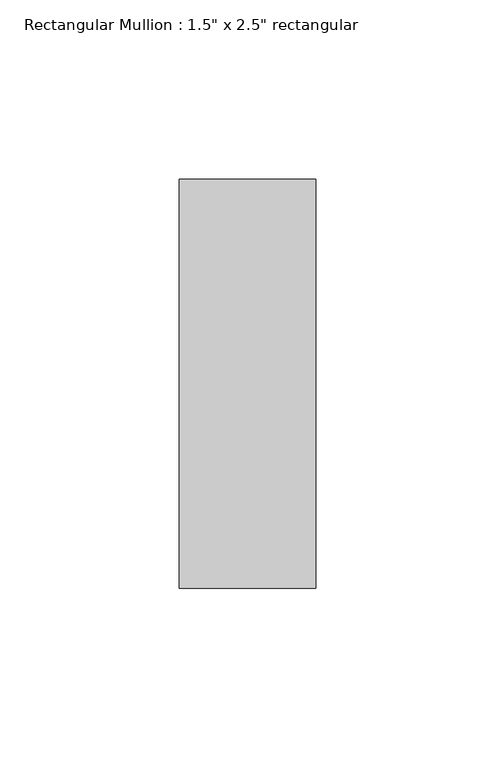
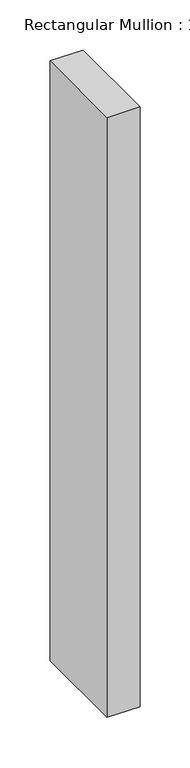
"""IFC4 building model written with IfcOpenShell, lengths in millimetres: member geometry."""

import ifcopenshell
import ifcopenshell.guid

model = None  # the IFC model being written
_history = None  # IfcOwnerHistory: only IFC2X3 demands one
_inside = {}  # id of a spatial element -> (the spatial element, [elements in it])
_under = {}  # id of a project, library or spatial element -> (it, [spatial elements below it])
_declared = {}  # id of a project -> (the project, [libraries it declares])
_typed = {}  # id of a type object -> (the type object, [elements of that type])
_made_of = {}  # id of a material, layer set ... -> (it, [elements and type objects made of it])


def new_model(schema):
    """Start an empty IFC model of exactly this schema.

    Asked for "IFC4X3", IfcOpenShell would pick the latest addendum, in which some entities
    have other attributes; the version numbers below select the first issue.
    IFC2X3 requires an IfcOwnerHistory on every rooted entity: one is made here for all.
    """
    global model, _history
    if schema == "IFC4X3":
        model = ifcopenshell.file(schema_version=(4, 3, 0, 0))
    else:
        model = ifcopenshell.file(schema=schema)
    _inside.clear()
    _under.clear()
    _declared.clear()
    _typed.clear()
    _made_of.clear()
    _history = None
    if model.schema == "IFC2X3":
        org = make("IfcOrganization", Name="unknown")
        user = make(
            "IfcPersonAndOrganization",
            ThePerson=make("IfcPerson", FamilyName="unknown"),
            TheOrganization=org,
        )
        app = make(
            "IfcApplication",
            ApplicationDeveloper=org,
            Version="unknown",
            ApplicationFullName="unknown",
            ApplicationIdentifier="unknown",
        )
        _history = make(
            "IfcOwnerHistory",
            OwningUser=user,
            OwningApplication=app,
            ChangeAction="ADDED",
            CreationDate=0,
        )
    return model


def make(cls, **values):
    """One entity of the class cls with the attributes given. An attribute that is None is left unset."""
    return model.create_entity(
        cls, **{name: value for name, value in values.items() if value is not None}
    )


def rooted(cls, **values):
    """An entity with a GlobalId (a new one), such as an element, a storey or a relation."""
    return make(cls, GlobalId=ifcopenshell.guid.new(), OwnerHistory=_history, **values)


def si_unit(unit_type, name, prefix=None):
    """IfcSIUnit, for example si_unit("LENGTHUNIT", "METRE", prefix="MILLI")."""
    return make("IfcSIUnit", UnitType=unit_type, Prefix=prefix, Name=name)


def assignment(units):
    """IfcUnitAssignment: the units of a project."""
    return None if units is None else make("IfcUnitAssignment", Units=units)


def point(xyz):
    """IfcCartesianPoint."""
    return None if xyz is None else make("IfcCartesianPoint", Coordinates=xyz)


def direction(xyz):
    """IfcDirection."""
    return None if xyz is None else make("IfcDirection", DirectionRatios=xyz)


def frame(location, z_axis=None, x_axis=None):
    """IfcAxis2Placement3D, a coordinate frame: its origin and axes. An axis left out is left unset."""
    return make(
        "IfcAxis2Placement3D",
        Location=point(location),
        Axis=direction(z_axis),
        RefDirection=direction(x_axis),
    )


def origin():
    """The frame at (0, 0, 0) with its axes left unset."""
    return frame((0.0, 0.0, 0.0))


def place(relative_to, where):
    """IfcLocalPlacement: puts the frame where relative to a parent placement (None: the world)."""
    return make(
        "IfcLocalPlacement", PlacementRelTo=relative_to, RelativePlacement=where
    )


def context(
    kind, dimensions, precision=None, world=None, true_north=None, identifier=None
):
    """IfcGeometricRepresentationContext, for example the 3D "Model" context."""
    return make(
        "IfcGeometricRepresentationContext",
        ContextIdentifier=identifier,
        ContextType=kind,
        CoordinateSpaceDimension=dimensions,
        Precision=precision,
        WorldCoordinateSystem=world,
        TrueNorth=true_north,
    )


def project(units=None, contexts=None):
    """IfcProject with its units and contexts."""
    return rooted(
        "IfcProject",
        Name="project",
        RepresentationContexts=contexts,
        UnitsInContext=assignment(units),
    )


def spatial(cls, under=None, at=None, **own):
    """A site, building, storey or space (cls), placed at a placement, below another one or the project."""
    s = rooted(cls, ObjectPlacement=at, **own)
    if under is not None:
        _under.setdefault(under.id(), (under, []))[1].append(s)
    return s


def polyline(points):
    """IfcPolyline through the points."""
    return make("IfcPolyline", Points=[point(p) for p in points])


def outline(outer, holes=None, kind="AREA"):
    """IfcArbitraryClosedProfileDef: a profile drawn as a closed curve; with holes, ...WithVoids."""
    if holes is None:
        return make("IfcArbitraryClosedProfileDef", ProfileType=kind, OuterCurve=outer)
    return make(
        "IfcArbitraryProfileDefWithVoids",
        ProfileType=kind,
        OuterCurve=outer,
        InnerCurves=holes,
    )


def extrude(swept, where, along, depth):
    """IfcExtrudedAreaSolid: the profile swept, set in the frame where, extruded along a direction by depth."""
    return make(
        "IfcExtrudedAreaSolid",
        SweptArea=swept,
        Position=where,
        ExtrudedDirection=direction(along),
        Depth=depth,
    )


def shape(context_of_items, identifier, shape_type, items):
    """IfcShapeRepresentation: the items that make up one representation, for example the "Body"."""
    return make(
        "IfcShapeRepresentation",
        ContextOfItems=context_of_items,
        RepresentationIdentifier=identifier,
        RepresentationType=shape_type,
        Items=items,
    )


def source(mapping_origin, context_of_items, identifier, shape_type, items):
    """IfcRepresentationMap: a shape defined once, which mapped items show again and again."""
    return make(
        "IfcRepresentationMap",
        MappingOrigin=mapping_origin,
        MappedRepresentation=shape(context_of_items, identifier, shape_type, items),
    )


def transform(
    local_origin,
    x_axis=None,
    y_axis=None,
    z_axis=None,
    scale=None,
    scale2=None,
    scale3=None,
    uniform=True,
):
    """IfcCartesianTransformationOperator3D, or its non-uniform kind. x_axis, y_axis, z_axis: its Axis1, 2, 3."""
    if uniform:
        return make(
            "IfcCartesianTransformationOperator3D",
            Axis1=direction(x_axis),
            Axis2=direction(y_axis),
            LocalOrigin=point(local_origin),
            Scale=scale,
            Axis3=direction(z_axis),
        )
    return make(
        "IfcCartesianTransformationOperator3DnonUniform",
        Axis1=direction(x_axis),
        Axis2=direction(y_axis),
        LocalOrigin=point(local_origin),
        Scale=scale,
        Axis3=direction(z_axis),
        Scale2=scale2,
        Scale3=scale3,
    )


def mapped(mapping_source, mapping_target):
    """IfcMappedItem: shows the shape of a source again, moved by a transform."""
    return make(
        "IfcMappedItem", MappingSource=mapping_source, MappingTarget=mapping_target
    )


def made_of(thing, what):
    """Note that an element or type object is made of a material, layer set ...; save() writes the relation."""
    if what is not None:
        _made_of.setdefault(what.id(), (what, []))[1].append(thing)
    return thing


def element(
    cls,
    number,
    at=None,
    inside=None,
    cuts=None,
    type_object=None,
    material=None,
    context=None,
    identifier="Body",
    shape_type=None,
    held_by="IfcProductDefinitionShape",
    body=None,
    shapes=None,
    **own,
):
    """One element of the class cls, such as IfcWall. Its Tag is "e" and its number.

    at: its placement. inside: the storey or other place that contains it. cuts: it is an
    opening in that element (IfcRelVoidsElement). A single representation is given by context,
    identifier, shape_type and body (its items); several are given by shapes. held_by: the class
    of the entity that holds the representations. save() writes the other relations.
    """
    e = rooted(cls, Tag="e%d" % number, ObjectPlacement=at, **own)
    if body is not None:
        shapes = [shape(context, identifier, shape_type, body)]
    if shapes is not None:
        e.Representation = make(held_by, Representations=shapes)
    if inside is not None:
        _inside.setdefault(inside.id(), (inside, []))[1].append(e)
    if cuts is not None:
        rooted(
            "IfcRelVoidsElement", RelatingBuildingElement=cuts, RelatedOpeningElement=e
        )
    if type_object is not None:
        _typed.setdefault(type_object.id(), (type_object, []))[1].append(e)
    return made_of(e, material)


def aggregate(whole, parts):
    """IfcRelAggregates: a whole, such as a stair, and the parts it consists of."""
    return rooted("IfcRelAggregates", RelatingObject=whole, RelatedObjects=parts)


def save(model, path):
    """Write the relations noted so far, then the file.

    IfcRelAggregates (storeys below a building ...), IfcRelContainedInSpatialStructure (elements
    in a storey), IfcRelDefinesByType, IfcRelAssociatesMaterial and IfcRelDeclares: one each for
    every whole, place, type object, material and project.
    """
    for whole, parts in _under.values():
        aggregate(whole, parts)
    for where, things in _inside.values():
        rooted(
            "IfcRelContainedInSpatialStructure",
            RelatedElements=things,
            RelatingStructure=where,
        )
    for kind, things in _typed.values():
        rooted("IfcRelDefinesByType", RelatedObjects=things, RelatingType=kind)
    for what, things in _made_of.values():
        rooted("IfcRelAssociatesMaterial", RelatedObjects=things, RelatingMaterial=what)
    for by, libraries in _declared.values():
        rooted("IfcRelDeclares", RelatingContext=by, RelatedDefinitions=libraries)
    model.write(path)


def member_891218cb(model_context):
    return source(origin(), model_context, "Body", "SweptSolid", [
        extrude(outline(polyline([(19.05, 57.15), (19.05, -57.15), (-19.05, -57.15), (-19.05, 57.15), (19.05, 57.15)])), frame((0.0, 0.0, -732.3666667), z_axis=(0.0, 0.0, 1.0), x_axis=(1.0, 0.0, 0.0)), (0.0, 0.0, 1.0), 732.3666667),
    ])


if __name__ == "__main__":
    model = new_model("IFC4")
    model_context = context("Model", 3, world=origin())
    ifc_project = project(units=[si_unit("LENGTHUNIT", "METRE", prefix="MILLI")], contexts=[model_context])
    site = spatial("IfcSite", under=ifc_project)
    building = spatial("IfcBuilding", under=site)
    placement = place(None, origin())
    member_shape = member_891218cb(model_context)
    element("IfcMember", 1, ObjectType="Rectangular Mullion : 1.5\" x 2.5\" rectangular", at=placement, inside=building, context=model_context, shape_type="MappedRepresentation", body=[
        mapped(member_shape, transform((0.0, 0.0, 0.0), x_axis=(1.0, 0.0, 0.0), y_axis=(0.0, 1.0, 0.0), z_axis=(0.0, 0.0, 1.0))),
    ])
    save(model, "model.ifc")
